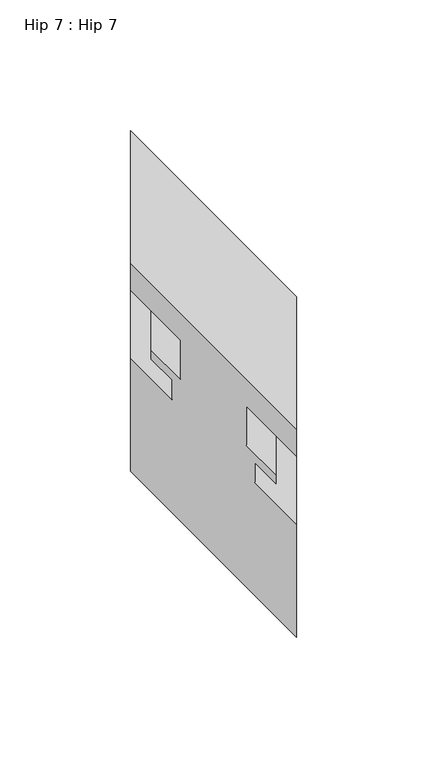
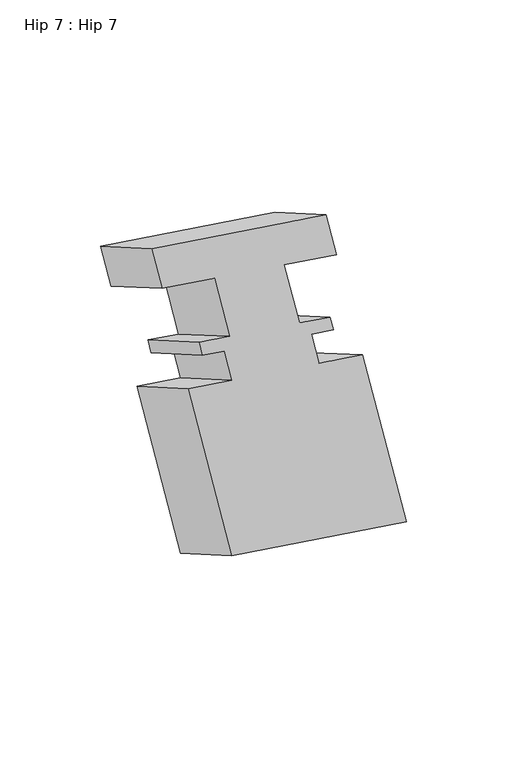
"""IFC4 building model written with IfcOpenShell, lengths in millimetres: proxy geometry, Hip 7 : Hip 7."""

from ifc_helpers import new_model, si_unit, origin, place, context, project, spatial, faceted_brep, source, transform, mapped, element, save


def hip_7_hip_7_e0465958(model_context):
    return source(origin(), model_context, "Body", "Brep", [
        faceted_brep([(-9521.8192107, 9774.7823081, 1387.4804037), (-9521.8192107, 9825.4497885, 1358.2275203), (-9585.3192107, 9888.9497885, 1321.5657782), (-9585.3192107, 9838.2823081, 1350.8186617), (-9521.8192107, 9764.4635581, 1369.6078045), (-9521.8192107, 9815.1310385, 1340.354921), (-9540.8692107, 9783.4945081, 1358.5762863), (-9540.8692107, 9834.1619885, 1329.3234028), (-9540.8692107, 9768.4323081, 1332.4877906), (-9540.8692107, 9819.0997885, 1303.2349071), (-9529.7440107, 9757.3071081, 1338.9109278), (-9529.7440107, 9807.9745885, 1309.6580443), (-9529.7440107, 9753.9912175, 1333.1676368), (-9529.7440107, 9804.6586979, 1303.9147533), (-9537.6942107, 9761.9414175, 1328.5775867), (-9537.6942107, 9812.6088979, 1299.3247032), (-9537.6942107, 9754.3607081, 1315.4474129), (-9537.6942107, 9805.0281885, 1286.1945294), (-9521.8192107, 9738.4857081, 1324.6128484), (-9521.8192107, 9789.1531885, 1295.3599649), (-9521.8192107, 9695.2168081, 1249.6689152), (-9521.8192107, 9745.8842885, 1220.4160317), (-9585.3192107, 9758.7168081, 1213.0071731), (-9585.3192107, 9809.3842885, 1183.7542896), (-9585.3192107, 9801.9857081, 1287.9511063), (-9585.3192107, 9852.6531885, 1258.6982228), (-9569.4442107, 9786.1107081, 1297.1165418), (-9569.4442107, 9836.7781885, 1267.8636584), (-9569.4442107, 9793.6418081, 1310.1607897), (-9569.4442107, 9844.3092885, 1280.9079062), (-9577.3944107, 9801.5920081, 1305.5707396), (-9577.3944107, 9852.2594885, 1276.3178561), (-9577.3944107, 9804.9510734, 1311.3888114), (-9577.3944107, 9855.6185539, 1282.1359279), (-9566.2692107, 9793.8258734, 1317.8119486), (-9566.2692107, 9844.4933539, 1288.5590651), (-9566.2692107, 9808.8945081, 1343.9115894), (-9566.2692107, 9859.5619885, 1314.658706), (-9585.3192107, 9827.9445081, 1332.9130668), (-9585.3192107, 9878.6119885, 1303.6601833)], [[[0, 1, 2, 3]], [[1, 0, 4, 5]], [[5, 4, 6, 7]], [[7, 6, 8, 9]], [[9, 8, 10, 11]], [[11, 10, 12, 13]], [[13, 12, 14, 15]], [[15, 14, 16, 17]], [[17, 16, 18, 19]], [[19, 18, 20, 21]], [[21, 20, 22, 23]], [[23, 22, 24, 25]], [[25, 24, 26, 27]], [[27, 26, 28, 29]], [[29, 28, 30, 31]], [[31, 30, 32, 33]], [[33, 32, 34, 35]], [[35, 34, 36, 37]], [[37, 36, 38, 39]], [[39, 38, 3, 2]], [[2, 1, 5, 7, 9, 11, 13, 15, 17, 19, 21, 23, 25, 27, 29, 31, 33, 35, 37, 39]], [[0, 3, 38, 36, 34, 32, 30, 28, 26, 24, 22, 20, 18, 16, 14, 12, 10, 8, 6, 4]]]),
    ])


if __name__ == "__main__":
    model = new_model("IFC4")
    model_context = context("Model", 3, world=origin())
    ifc_project = project(units=[si_unit("LENGTHUNIT", "METRE", prefix="MILLI")], contexts=[model_context])
    site = spatial("IfcSite", under=ifc_project)
    building = spatial("IfcBuilding", under=site)
    placement = place(None, origin())
    hip_7_hip_7_shape = hip_7_hip_7_e0465958(model_context)
    element("IfcBuildingElementProxy", 1, Name="Hip 7 : Hip 7", ObjectType="Hip 7 : Hip 7", at=placement, inside=building, context=model_context, shape_type="MappedRepresentation", body=[
        mapped(hip_7_hip_7_shape, transform((0.0, 0.0, 0.0), x_axis=(1.0, 0.0, 0.0), y_axis=(0.0, 1.0, 0.0), z_axis=(0.0, 0.0, 1.0))),
    ])
    save(model, "model.ifc")
